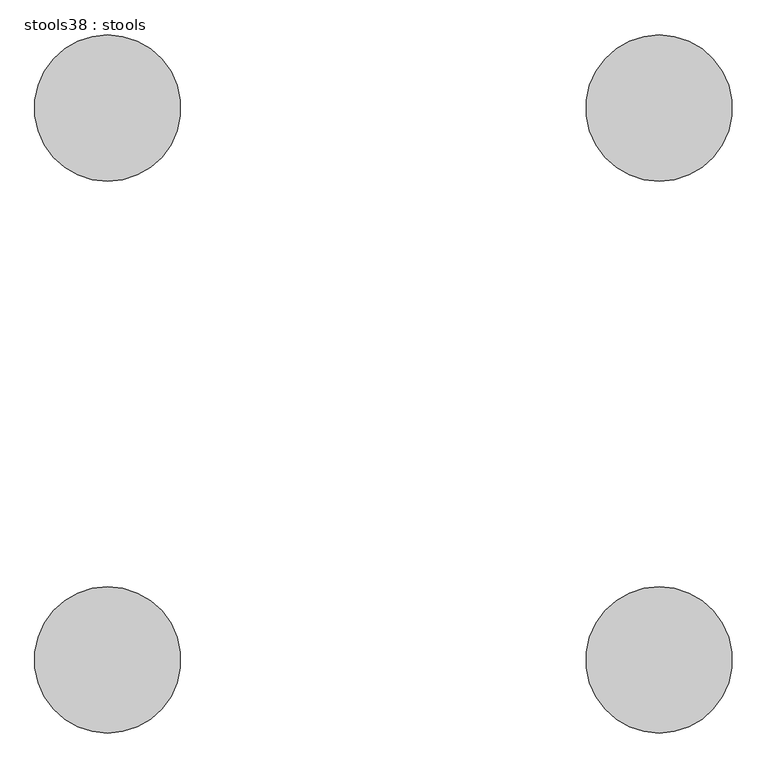
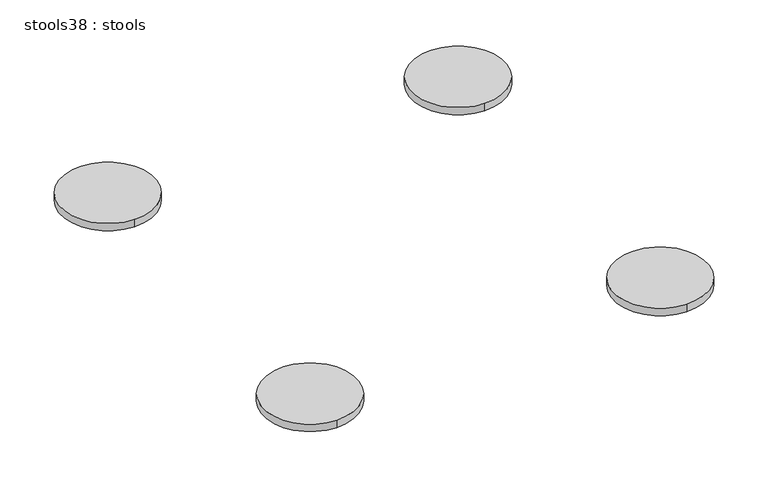
"""IFC4 building model written with IfcOpenShell, lengths in millimetres: furniture geometry, stools38 : stools."""

from ifc_helpers import new_model, si_unit, point, frame, frame_2d, origin, place, context, project, spatial, circle_curve, trimmed, segment, composite_curve, outline, extrude, source, transform, mapped, element, save


def stools38_stools_d2d86acb(model_context):
    return source(origin(), model_context, "Body", "SweptSolid", [
        extrude(outline(composite_curve([segment(trimmed(circle_curve(frame_2d((-122435.7479376, -66292.8855229)), 152.4), [point((-122435.7479376, -66140.4855229))], [point((-122435.7479376, -66445.2855229))], False, "CARTESIAN"), True, "CONTINUOUS"), segment(trimmed(circle_curve(frame_2d((-122435.7479376, -66292.8855229)), 152.4), [point((-122435.7479376, -66445.2855229))], [point((-122435.7479376, -66140.4855229))], False, "CARTESIAN"), True, "CONTINUOUS")], self_intersect=False)), frame((0.0, 0.0, 457.2), z_axis=(0.0, 0.0, 1.0), x_axis=(1.0, 0.0, 0.0)), (0.0, 0.0, 1.0), 25.4),
        extrude(outline(composite_curve([segment(trimmed(circle_curve(frame_2d((-123585.2207211, -66292.8855229)), 152.4), [point((-123585.2207211, -66140.4855229))], [point((-123585.2207211, -66445.2855229))], False, "CARTESIAN"), True, "CONTINUOUS"), segment(trimmed(circle_curve(frame_2d((-123585.2207211, -66292.8855229)), 152.4), [point((-123585.2207211, -66445.2855229))], [point((-123585.2207211, -66140.4855229))], False, "CARTESIAN"), True, "CONTINUOUS")], self_intersect=False)), frame((0.0, 0.0, 457.2), z_axis=(0.0, 0.0, 1.0), x_axis=(1.0, 0.0, 0.0)), (0.0, 0.0, 1.0), 25.4),
        extrude(outline(composite_curve([segment(trimmed(circle_curve(frame_2d((-122435.7479376, -65143.4127394)), 152.4), [point((-122435.7479376, -65295.8127394))], [point((-122435.7479376, -64991.0127394))], False, "CARTESIAN"), True, "CONTINUOUS"), segment(trimmed(circle_curve(frame_2d((-122435.7479376, -65143.4127394)), 152.4), [point((-122435.7479376, -64991.0127394))], [point((-122435.7479376, -65295.8127394))], False, "CARTESIAN"), True, "CONTINUOUS")], self_intersect=False)), frame((0.0, 0.0, 457.2), z_axis=(0.0, 0.0, 1.0), x_axis=(1.0, 0.0, 0.0)), (0.0, 0.0, 1.0), 25.4),
        extrude(outline(composite_curve([segment(trimmed(circle_curve(frame_2d((-123585.2207211, -65143.4127394)), 152.4), [point((-123585.2207211, -65295.8127394))], [point((-123585.2207211, -64991.0127394))], False, "CARTESIAN"), True, "CONTINUOUS"), segment(trimmed(circle_curve(frame_2d((-123585.2207211, -65143.4127394)), 152.4), [point((-123585.2207211, -64991.0127394))], [point((-123585.2207211, -65295.8127394))], False, "CARTESIAN"), True, "CONTINUOUS")], self_intersect=False)), frame((0.0, 0.0, 457.2), z_axis=(0.0, 0.0, 1.0), x_axis=(1.0, 0.0, 0.0)), (0.0, 0.0, 1.0), 25.4),
    ])


if __name__ == "__main__":
    model = new_model("IFC4")
    model_context = context("Model", 3, world=origin())
    ifc_project = project(units=[si_unit("LENGTHUNIT", "METRE", prefix="MILLI")], contexts=[model_context])
    site = spatial("IfcSite", under=ifc_project)
    building = spatial("IfcBuilding", under=site)
    placement = place(None, origin())
    stools38_stools_shape = stools38_stools_d2d86acb(model_context)
    element("IfcFurniture", 1, ObjectType="stools38 : stools", at=placement, inside=building, context=model_context, shape_type="MappedRepresentation", body=[
        mapped(stools38_stools_shape, transform((0.0, 0.0, 0.0), x_axis=(1.0, 0.0, 0.0), y_axis=(0.0, 1.0, 0.0), z_axis=(0.0, 0.0, 1.0))),
    ])
    save(model, "model.ifc")
